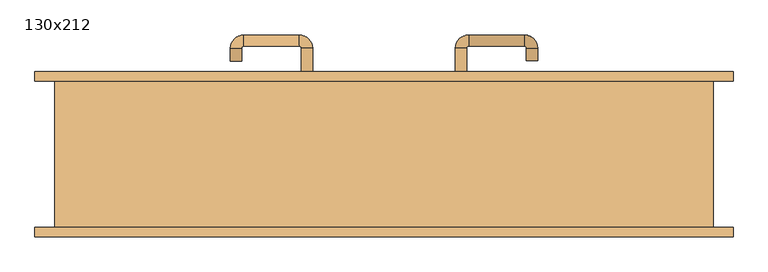
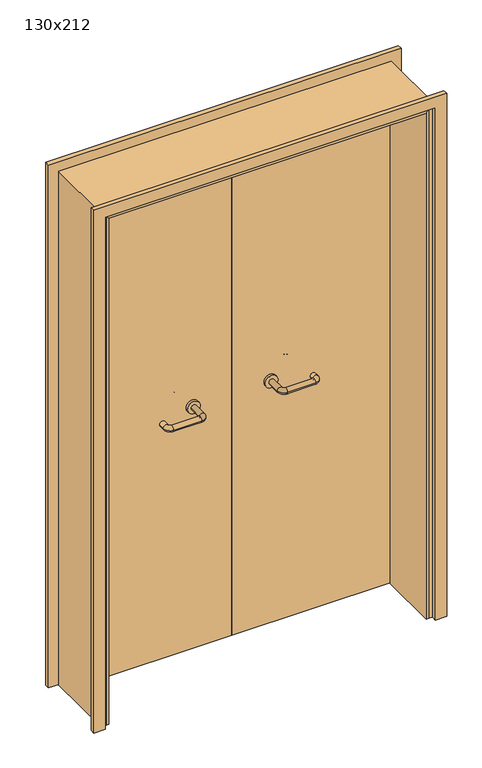
"""IFC4 building model written with IfcOpenShell, lengths in millimetres: door geometry, 130x212."""

from ifc_helpers import new_model, si_unit, point, frame, frame_2d, origin, place, context, project, spatial, polyline, circle_curve, ellipse_curve, trimmed, segment, composite_curve, outline, extrude, faceted_brep, source, transform, mapped, element, save
from ifc_brep_helpers import plane_surface, cylinder_surface, revolved_surface, advanced_brep


def door_130x212_d32668e3(model_context):
    return source(origin(), model_context, "Body", "SolidModel", [
        faceted_brep([(-620.0, 98.0, 0.0), (-620.0, -144.0, 0.0), (-630.0, -144.0, 0.0), (-630.0, 98.0, 0.0), (-620.0, 98.0, 2090.0), (-620.0, -144.0, 2090.0), (-630.0, -144.0, 2100.0), (-630.0, 98.0, 2100.0), (620.0, 98.0, 0.0), (630.0, 98.0, 0.0), (630.0, -144.0, 0.0), (620.0, -144.0, 0.0), (620.0, 98.0, 2090.0), (630.0, 98.0, 2100.0), (630.0, -144.0, 2100.0), (620.0, -144.0, 2090.0)], [[[0, 1, 2, 3]], [[1, 0, 4, 5]], [[2, 1, 5, 6]], [[3, 2, 6, 7]], [[0, 3, 7, 4]], [[8, 9, 10, 11]], [[12, 13, 9, 8]], [[13, 14, 10, 9]], [[14, 15, 11, 10]], [[15, 12, 8, 11]], [[5, 4, 12, 15]], [[6, 5, 15, 14]], [[7, 6, 14, 13]], [[4, 7, 13, 12]]]),
        extrude(outline(polyline([(2159.0, 689.0), (2159.0, -689.0), (0.0, -689.0), (0.0, -645.0), (2115.0, -645.0), (2115.0, 645.0), (0.0, 645.0), (0.0, 689.0), (2159.0, 689.0)])), frame((0.0, 145.0, 0.0), z_axis=(0.0, 1.0, 0.0), x_axis=(0.0, 0.0, 1.0)), (0.0, 0.0, 1.0), 18.0),
        extrude(outline(polyline([(2159.0, -689.0), (0.0, -689.0), (0.0, -645.0), (2115.0, -645.0), (2115.0, 645.0), (0.0, 645.0), (0.0, 689.0), (2159.0, 689.0), (2159.0, -689.0)])), frame((0.0, -163.0, 0.0), z_axis=(0.0, 1.0, 0.0), x_axis=(0.0, 0.0, 1.0)), (0.0, 0.0, 1.0), 18.0),
        extrude(outline(polyline([(2120.0, -650.0), (0.0, -650.0), (0.0, -630.0), (2100.0, -630.0), (2100.0, 630.0), (0.0, 630.0), (0.0, 650.0), (2120.0, 650.0), (2120.0, -650.0)])), frame((0.0, -144.0, 0.0), z_axis=(0.0, 1.0, 0.0), x_axis=(0.0, 0.0, 1.0)), (0.0, 0.0, 1.0), 289.0),
        advanced_brep(
        [(140.99898, 91.0, 1003.0), (162.99898, 91.0, 1003.0), (140.99898, 35.6474631, 1003.0), (162.99898, 35.6474631, 1003.0), (166.99898, 31.6474631, 1003.0), (166.99898, 9.6474631, 1003.0), (276.99898, 9.6474631, 1003.0), (276.99898, 31.6474631, 1003.0), (280.99898, 35.6474631, 1003.0), (302.99898, 35.6474631, 1003.0), (302.99898, 53.0, 1003.0), (280.99898, 53.0, 1003.0)],
        [
            (0, 1, circle_curve(frame((151.99898, 91.0, 1003.0), z_axis=(0.0, 1.0, 0.0), x_axis=(1.0, 0.0, 0.0)), 11.0)),
            (1, 0, circle_curve(frame((151.99898, 91.0, 1003.0), z_axis=(0.0, 1.0, 0.0), x_axis=(1.0, 0.0, 0.0)), 11.0)),
            (0, 2),
            (2, 3, circle_curve(frame((151.99898, 35.6474631, 1003.0), z_axis=(0.0, 1.0, 0.0), x_axis=(1.0, 0.0, 0.0)), 11.0)),
            (3, 1),
            (3, 2, circle_curve(frame((151.99898, 35.6474631, 1003.0), z_axis=(0.0, 1.0, 0.0), x_axis=(1.0, 0.0, 0.0)), 11.0)),
            (4, 3, circle_curve(frame((166.99898, 35.6474631, 1003.0), z_axis=(0.0, 0.0, -1.0), x_axis=(-1.0, 0.0, 0.0)), 4.0)),
            (2, 5, circle_curve(frame((166.99898, 35.6474631, 1003.0), z_axis=(0.0, 0.0, 1.0), x_axis=(-1.0, 0.0, 0.0)), 26.0)),
            (5, 4, circle_curve(frame((166.99898, 20.6474631, 1003.0), z_axis=(-1.0, 0.0, 0.0), x_axis=(0.0, 1.0, 0.0)), 11.0)),
            (4, 5, circle_curve(frame((166.99898, 20.6474631, 1003.0), z_axis=(-1.0, 0.0, 0.0), x_axis=(0.0, 1.0, 0.0)), 11.0)),
            (5, 6),
            (6, 7, circle_curve(frame((276.99898, 20.6474631, 1003.0), z_axis=(-1.0, 0.0, 0.0), x_axis=(0.0, 1.0, 0.0)), 11.0)),
            (7, 4),
            (7, 6, circle_curve(frame((276.99898, 20.6474631, 1003.0), z_axis=(-1.0, 0.0, 0.0), x_axis=(0.0, 1.0, 0.0)), 11.0)),
            (8, 7, circle_curve(frame((276.99898, 35.6474631, 1003.0), z_axis=(0.0, 0.0, -1.0), x_axis=(0.0, -1.0, 0.0)), 4.0)),
            (6, 9, circle_curve(frame((276.99898, 35.6474631, 1003.0), z_axis=(0.0, 0.0, 1.0), x_axis=(0.0, -1.0, 0.0)), 26.0)),
            (9, 8, circle_curve(frame((291.99898, 35.6474631, 1003.0), z_axis=(0.0, -1.0, 0.0), x_axis=(-1.0, 0.0, 0.0)), 11.0)),
            (8, 9, circle_curve(frame((291.99898, 35.6474631, 1003.0), z_axis=(0.0, -1.0, 0.0), x_axis=(-1.0, 0.0, 0.0)), 11.0)),
            (10, 11, circle_curve(frame((291.99898, 53.0, 1003.0), z_axis=(0.0, 1.0, 0.0), x_axis=(-1.0, 0.0, 0.0)), 11.0)),
            (11, 10, circle_curve(frame((291.99898, 53.0, 1003.0), z_axis=(0.0, 1.0, 0.0), x_axis=(-1.0, 0.0, 0.0)), 11.0)),
            (9, 10),
            (11, 8),
        ],
        [
            plane_surface(frame((140.99898, 91.0, 1003.0), z_axis=(0.0, 1.0, 0.0), x_axis=(0.0, 0.0, -1.0))),
            cylinder_surface(frame((151.99898, 91.0, 1003.0), z_axis=(0.0, 1.0, 0.0), x_axis=(1.0, 0.0, 0.0)), 11.0),
            revolved_surface(trimmed(ellipse_curve(frame((151.99898, 35.6474631, 1003.0), z_axis=(0.0, 1.0, 0.0), x_axis=(1.0, 0.0, 0.0)), 11.0, 11.0), [point((140.99898, 35.6474631, 1003.0))], [point((162.99898, 35.6474631, 1003.0))], True, "CARTESIAN"), (166.99898, 35.6474631, 1003.0), (0.0, 0.0, 1.0)),
            revolved_surface(trimmed(ellipse_curve(frame((151.99898, 35.6474631, 1003.0), z_axis=(0.0, 1.0, 0.0), x_axis=(1.0, 0.0, 0.0)), 11.0, 11.0), [point((162.99898, 35.6474631, 1003.0))], [point((140.99898, 35.6474631, 1003.0))], True, "CARTESIAN"), (166.99898, 35.6474631, 1003.0), (0.0, 0.0, 1.0)),
            cylinder_surface(frame((166.99898, 20.6474631, 1003.0), z_axis=(-1.0, 0.0, 0.0), x_axis=(0.0, 1.0, 0.0)), 11.0),
            revolved_surface(trimmed(ellipse_curve(frame((276.99898, 20.6474631, 1003.0), z_axis=(-1.0, 0.0, 0.0), x_axis=(0.0, 1.0, 0.0)), 11.0, 11.0), [point((276.99898, 9.6474631, 1003.0))], [point((276.99898, 31.6474631, 1003.0))], True, "CARTESIAN"), (276.99898, 35.6474631, 1003.0), (0.0, 0.0, 1.0)),
            revolved_surface(trimmed(ellipse_curve(frame((276.99898, 20.6474631, 1003.0), z_axis=(-1.0, 0.0, 0.0), x_axis=(0.0, 1.0, 0.0)), 11.0, 11.0), [point((276.99898, 31.6474631, 1003.0))], [point((276.99898, 9.6474631, 1003.0))], True, "CARTESIAN"), (276.99898, 35.6474631, 1003.0), (0.0, 0.0, 1.0)),
            plane_surface(frame((280.99898, 53.0, 1003.0), z_axis=(0.0, 1.0, 0.0), x_axis=(0.0, 0.0, 1.0))),
            cylinder_surface(frame((291.99898, 35.6474631, 1003.0), z_axis=(0.0, -1.0, 0.0), x_axis=(-1.0, 0.0, 0.0)), 11.0),
        ],
        [
            (0, [[1, 2]]),
            (1, [[-1, 3, 4, 5]]),
            (1, [[-2, -5, 6, -3]]),
            (2, [[7, -4, 8, 9]]),
            (3, [[-8, -6, -7, 10]]),
            (4, [[-9, 11, 12, 13]]),
            (4, [[-10, -13, 14, -11]]),
            (5, [[15, -12, 16, 17]]),
            (6, [[-16, -14, -15, 18]]),
            (7, [[19, 20]]),
            (8, [[-17, 21, -20, 22]]),
            (8, [[-18, -22, -19, -21]]),
        ],
    ),
        extrude(outline(composite_curve([segment(trimmed(circle_curve(frame_2d((1003.0, 151.99898)), 25.0), [point((1003.0, 126.99898))], [point((1003.0, 176.99898))], False, "CARTESIAN"), True, "CONTINUOUS"), segment(trimmed(circle_curve(frame_2d((1003.0, 151.99898)), 25.0), [point((1003.0, 176.99898))], [point((1003.0, 126.99898))], False, "CARTESIAN"), True, "CONTINUOUS")], self_intersect=False)), frame((0.0, 91.0, 0.0), z_axis=(0.0, 1.0, 0.0), x_axis=(0.0, 0.0, 1.0)), (0.0, 0.0, 1.0), 10.0),
        advanced_brep(
        [(162.99898, 155.0, 1003.0), (140.99898, 155.0, 1003.0), (162.99898, 210.0, 1003.0), (140.99898, 210.0, 1003.0), (166.99898, 236.0, 1003.0), (166.99898, 214.0, 1003.0), (276.99898, 214.0, 1003.0), (276.99898, 236.0, 1003.0), (302.99898, 210.0, 1003.0), (280.99898, 210.0, 1003.0), (280.99898, 185.0, 1003.0), (302.99898, 185.0, 1003.0)],
        [
            (0, 1, circle_curve(frame((151.99898, 155.0, 1003.0), z_axis=(0.0, -1.0, 0.0), x_axis=(-1.0, 0.0, 0.0)), 11.0)),
            (1, 0, circle_curve(frame((151.99898, 155.0, 1003.0), z_axis=(0.0, -1.0, 0.0), x_axis=(-1.0, 0.0, 0.0)), 11.0)),
            (0, 2),
            (2, 3, circle_curve(frame((151.99898, 210.0, 1003.0), z_axis=(0.0, -1.0, 0.0), x_axis=(-1.0, 0.0, 0.0)), 11.0)),
            (3, 1),
            (3, 2, circle_curve(frame((151.99898, 210.0, 1003.0), z_axis=(0.0, -1.0, 0.0), x_axis=(-1.0, 0.0, 0.0)), 11.0)),
            (4, 3, circle_curve(frame((166.99898, 210.0, 1003.0), z_axis=(0.0, 0.0, 1.0), x_axis=(-1.0, 0.0, 0.0)), 26.0)),
            (2, 5, circle_curve(frame((166.99898, 210.0, 1003.0), z_axis=(0.0, 0.0, -1.0), x_axis=(-1.0, 0.0, 0.0)), 4.0)),
            (5, 4, circle_curve(frame((166.99898, 225.0, 1003.0), z_axis=(-1.0, 0.0, 0.0), x_axis=(0.0, 1.0, 0.0)), 11.0)),
            (4, 5, circle_curve(frame((166.99898, 225.0, 1003.0), z_axis=(-1.0, 0.0, 0.0), x_axis=(0.0, 1.0, 0.0)), 11.0)),
            (5, 6),
            (6, 7, circle_curve(frame((276.99898, 225.0, 1003.0), z_axis=(-1.0, 0.0, 0.0), x_axis=(0.0, 1.0, 0.0)), 11.0)),
            (7, 4),
            (7, 6, circle_curve(frame((276.99898, 225.0, 1003.0), z_axis=(-1.0, 0.0, 0.0), x_axis=(0.0, 1.0, 0.0)), 11.0)),
            (8, 7, circle_curve(frame((276.99898, 210.0, 1003.0), z_axis=(0.0, 0.0, 1.0), x_axis=(0.0, 1.0, 0.0)), 26.0)),
            (6, 9, circle_curve(frame((276.99898, 210.0, 1003.0), z_axis=(0.0, 0.0, -1.0), x_axis=(0.0, 1.0, 0.0)), 4.0)),
            (9, 8, circle_curve(frame((291.99898, 210.0, 1003.0), z_axis=(0.0, 1.0, 0.0), x_axis=(1.0, 0.0, 0.0)), 11.0)),
            (8, 9, circle_curve(frame((291.99898, 210.0, 1003.0), z_axis=(0.0, 1.0, 0.0), x_axis=(1.0, 0.0, 0.0)), 11.0)),
            (10, 11, circle_curve(frame((291.99898, 185.0, 1003.0), z_axis=(0.0, -1.0, 0.0), x_axis=(1.0, 0.0, 0.0)), 11.0)),
            (11, 10, circle_curve(frame((291.99898, 185.0, 1003.0), z_axis=(0.0, -1.0, 0.0), x_axis=(1.0, 0.0, 0.0)), 11.0)),
            (9, 10),
            (11, 8),
        ],
        [
            plane_surface(frame((140.99898, 155.0, 1003.0), z_axis=(0.0, -1.0, 0.0), x_axis=(0.0, 0.0, 1.0))),
            cylinder_surface(frame((151.99898, 155.0, 1003.0), z_axis=(0.0, -1.0, 0.0), x_axis=(-1.0, 0.0, 0.0)), 11.0),
            revolved_surface(trimmed(ellipse_curve(frame((151.99898, 210.0, 1003.0), z_axis=(0.0, -1.0, 0.0), x_axis=(-1.0, 0.0, 0.0)), 11.0, 11.0), [point((162.99898, 210.0, 1003.0))], [point((140.99898, 210.0, 1003.0))], True, "CARTESIAN"), (166.99898, 210.0, 1003.0), (0.0, 0.0, -1.0)),
            revolved_surface(trimmed(ellipse_curve(frame((151.99898, 210.0, 1003.0), z_axis=(0.0, -1.0, 0.0), x_axis=(-1.0, 0.0, 0.0)), 11.0, 11.0), [point((140.99898, 210.0, 1003.0))], [point((162.99898, 210.0, 1003.0))], True, "CARTESIAN"), (166.99898, 210.0, 1003.0), (0.0, 0.0, -1.0)),
            cylinder_surface(frame((166.99898, 225.0, 1003.0), z_axis=(-1.0, 0.0, 0.0), x_axis=(0.0, 1.0, 0.0)), 11.0),
            revolved_surface(trimmed(ellipse_curve(frame((276.99898, 225.0, 1003.0), z_axis=(-1.0, 0.0, 0.0), x_axis=(0.0, 1.0, 0.0)), 11.0, 11.0), [point((276.99898, 214.0, 1003.0))], [point((276.99898, 236.0, 1003.0))], True, "CARTESIAN"), (276.99898, 210.0, 1003.0), (0.0, 0.0, -1.0)),
            revolved_surface(trimmed(ellipse_curve(frame((276.99898, 225.0, 1003.0), z_axis=(-1.0, 0.0, 0.0), x_axis=(0.0, 1.0, 0.0)), 11.0, 11.0), [point((276.99898, 236.0, 1003.0))], [point((276.99898, 214.0, 1003.0))], True, "CARTESIAN"), (276.99898, 210.0, 1003.0), (0.0, 0.0, -1.0)),
            plane_surface(frame((280.99898, 185.0, 1003.0), z_axis=(0.0, -1.0, 0.0), x_axis=(0.0, 0.0, -1.0))),
            cylinder_surface(frame((291.99898, 210.0, 1003.0), z_axis=(0.0, 1.0, 0.0), x_axis=(1.0, 0.0, 0.0)), 11.0),
        ],
        [
            (0, [[1, 2]]),
            (1, [[-1, 3, 4, 5]]),
            (1, [[-2, -5, 6, -3]]),
            (2, [[7, -4, 8, 9]]),
            (3, [[-8, -6, -7, 10]]),
            (4, [[-9, 11, 12, 13]]),
            (4, [[-10, -13, 14, -11]]),
            (5, [[15, -12, 16, 17]]),
            (6, [[-16, -14, -15, 18]]),
            (7, [[19, 20]]),
            (8, [[-17, 21, -20, 22]]),
            (8, [[-18, -22, -19, -21]]),
        ],
    ),
        extrude(outline(composite_curve([segment(trimmed(circle_curve(frame_2d((1003.0, 151.99898)), 25.0), [point((1003.0, 176.99898))], [point((1003.0, 126.99898))], False, "CARTESIAN"), True, "CONTINUOUS"), segment(trimmed(circle_curve(frame_2d((1003.0, 151.99898)), 25.0), [point((1003.0, 126.99898))], [point((1003.0, 176.99898))], False, "CARTESIAN"), True, "CONTINUOUS")], self_intersect=False)), frame((0.0, 145.0, 0.0), z_axis=(0.0, 1.0, 0.0), x_axis=(0.0, 0.0, 1.0)), (0.0, 0.0, 1.0), 10.0),
        advanced_brep(
        [(-162.99898, 90.6886121, 1003.0), (-140.99898, 90.6886121, 1003.0), (-162.99898, 35.2779553, 1003.0), (-140.99898, 35.2779553, 1003.0), (-166.99898, 9.2779553, 1003.0), (-166.99898, 31.2779553, 1003.0), (-276.99898, 31.2779553, 1003.0), (-276.99898, 9.2779553, 1003.0), (-302.99898, 35.2779553, 1003.0), (-280.99898, 35.2779553, 1003.0), (-280.99898, 60.2779553, 1003.0), (-302.99898, 60.2779553, 1003.0)],
        [
            (0, 1, circle_curve(frame((-151.99898, 90.6886121, 1003.0), z_axis=(0.0, 1.0, 0.0), x_axis=(1.0, 0.0, 0.0)), 11.0)),
            (1, 0, circle_curve(frame((-151.99898, 90.6886121, 1003.0), z_axis=(0.0, 1.0, 0.0), x_axis=(1.0, 0.0, 0.0)), 11.0)),
            (0, 2),
            (2, 3, circle_curve(frame((-151.99898, 35.2779553, 1003.0), z_axis=(0.0, 1.0, 0.0), x_axis=(1.0, 0.0, 0.0)), 11.0)),
            (3, 1),
            (3, 2, circle_curve(frame((-151.99898, 35.2779553, 1003.0), z_axis=(0.0, 1.0, 0.0), x_axis=(1.0, 0.0, 0.0)), 11.0)),
            (4, 3, circle_curve(frame((-166.99898, 35.2779553, 1003.0), z_axis=(0.0, 0.0, 1.0), x_axis=(1.0, 0.0, 0.0)), 26.0)),
            (2, 5, circle_curve(frame((-166.99898, 35.2779553, 1003.0), z_axis=(0.0, 0.0, -1.0), x_axis=(1.0, 0.0, 0.0)), 4.0)),
            (5, 4, circle_curve(frame((-166.99898, 20.2779553, 1003.0), z_axis=(1.0, 0.0, 0.0), x_axis=(0.0, -1.0, 0.0)), 11.0)),
            (4, 5, circle_curve(frame((-166.99898, 20.2779553, 1003.0), z_axis=(1.0, 0.0, 0.0), x_axis=(0.0, -1.0, 0.0)), 11.0)),
            (5, 6),
            (6, 7, circle_curve(frame((-276.99898, 20.2779553, 1003.0), z_axis=(1.0, 0.0, 0.0), x_axis=(0.0, -1.0, 0.0)), 11.0)),
            (7, 4),
            (7, 6, circle_curve(frame((-276.99898, 20.2779553, 1003.0), z_axis=(1.0, 0.0, 0.0), x_axis=(0.0, -1.0, 0.0)), 11.0)),
            (8, 7, circle_curve(frame((-276.99898, 35.2779553, 1003.0), z_axis=(0.0, 0.0, 1.0), x_axis=(0.0, -1.0, 0.0)), 26.0)),
            (6, 9, circle_curve(frame((-276.99898, 35.2779553, 1003.0), z_axis=(0.0, 0.0, -1.0), x_axis=(0.0, -1.0, 0.0)), 4.0)),
            (9, 8, circle_curve(frame((-291.99898, 35.2779553, 1003.0), z_axis=(0.0, -1.0, 0.0), x_axis=(-1.0, 0.0, 0.0)), 11.0)),
            (8, 9, circle_curve(frame((-291.99898, 35.2779553, 1003.0), z_axis=(0.0, -1.0, 0.0), x_axis=(-1.0, 0.0, 0.0)), 11.0)),
            (10, 11, circle_curve(frame((-291.99898, 60.2779553, 1003.0), z_axis=(0.0, 1.0, 0.0), x_axis=(-1.0, 0.0, 0.0)), 11.0)),
            (11, 10, circle_curve(frame((-291.99898, 60.2779553, 1003.0), z_axis=(0.0, 1.0, 0.0), x_axis=(-1.0, 0.0, 0.0)), 11.0)),
            (9, 10),
            (11, 8),
        ],
        [
            plane_surface(frame((-162.99898, 90.6886121, 1003.0), z_axis=(0.0, 1.0, 0.0), x_axis=(0.0, 0.0, -1.0))),
            cylinder_surface(frame((-151.99898, 90.6886121, 1003.0), z_axis=(0.0, 1.0, 0.0), x_axis=(1.0, 0.0, 0.0)), 11.0),
            revolved_surface(trimmed(ellipse_curve(frame((-151.99898, 35.2779553, 1003.0), z_axis=(0.0, 1.0, 0.0), x_axis=(1.0, 0.0, 0.0)), 11.0, 11.0), [point((-162.99898, 35.2779553, 1003.0))], [point((-140.99898, 35.2779553, 1003.0))], True, "CARTESIAN"), (-166.99898, 35.2779553, 1003.0), (0.0, 0.0, -1.0)),
            revolved_surface(trimmed(ellipse_curve(frame((-151.99898, 35.2779553, 1003.0), z_axis=(0.0, 1.0, 0.0), x_axis=(1.0, 0.0, 0.0)), 11.0, 11.0), [point((-140.99898, 35.2779553, 1003.0))], [point((-162.99898, 35.2779553, 1003.0))], True, "CARTESIAN"), (-166.99898, 35.2779553, 1003.0), (0.0, 0.0, -1.0)),
            cylinder_surface(frame((-166.99898, 20.2779553, 1003.0), z_axis=(1.0, 0.0, 0.0), x_axis=(0.0, -1.0, 0.0)), 11.0),
            revolved_surface(trimmed(ellipse_curve(frame((-276.99898, 20.2779553, 1003.0), z_axis=(1.0, 0.0, 0.0), x_axis=(0.0, -1.0, 0.0)), 11.0, 11.0), [point((-276.99898, 31.2779553, 1003.0))], [point((-276.99898, 9.2779553, 1003.0))], True, "CARTESIAN"), (-276.99898, 35.2779553, 1003.0), (0.0, 0.0, -1.0)),
            revolved_surface(trimmed(ellipse_curve(frame((-276.99898, 20.2779553, 1003.0), z_axis=(1.0, 0.0, 0.0), x_axis=(0.0, -1.0, 0.0)), 11.0, 11.0), [point((-276.99898, 9.2779553, 1003.0))], [point((-276.99898, 31.2779553, 1003.0))], True, "CARTESIAN"), (-276.99898, 35.2779553, 1003.0), (0.0, 0.0, -1.0)),
            plane_surface(frame((-302.99898, 60.2779553, 1003.0), z_axis=(0.0, 1.0, 0.0), x_axis=(0.0, 0.0, 1.0))),
            cylinder_surface(frame((-291.99898, 35.2779553, 1003.0), z_axis=(0.0, -1.0, 0.0), x_axis=(-1.0, 0.0, 0.0)), 11.0),
        ],
        [
            (0, [[1, 2]]),
            (1, [[-1, 3, 4, 5]]),
            (1, [[-2, -5, 6, -3]]),
            (2, [[7, -4, 8, 9]]),
            (3, [[-8, -6, -7, 10]]),
            (4, [[-9, 11, 12, 13]]),
            (4, [[-10, -13, 14, -11]]),
            (5, [[15, -12, 16, 17]]),
            (6, [[-16, -14, -15, 18]]),
            (7, [[19, 20]]),
            (8, [[-17, 21, -20, 22]]),
            (8, [[-18, -22, -19, -21]]),
        ],
    ),
        extrude(outline(composite_curve([segment(trimmed(circle_curve(frame_2d((1003.0, -151.99898)), 25.0), [point((1003.0, -176.99898))], [point((1003.0, -126.99898))], False, "CARTESIAN"), True, "CONTINUOUS"), segment(trimmed(circle_curve(frame_2d((1003.0, -151.99898)), 25.0), [point((1003.0, -126.99898))], [point((1003.0, -176.99898))], False, "CARTESIAN"), True, "CONTINUOUS")], self_intersect=False)), frame((0.0, 90.6886121, 0.0), z_axis=(0.0, 1.0, 0.0), x_axis=(0.0, 0.0, 1.0)), (0.0, 0.0, 1.0), 10.3113879),
        advanced_brep(
        [(-140.99898, 154.5143417, 1003.0), (-162.99898, 154.5143417, 1003.0), (-140.99898, 209.6104656, 1003.0), (-162.99898, 209.6104656, 1003.0), (-166.99898, 213.6104656, 1003.0), (-166.99898, 235.6104656, 1003.0), (-276.99898, 235.6104656, 1003.0), (-276.99898, 213.6104656, 1003.0), (-280.99898, 209.6104656, 1003.0), (-302.99898, 209.6104656, 1003.0), (-302.99898, 184.6104656, 1003.0), (-280.99898, 184.6104656, 1003.0)],
        [
            (0, 1, circle_curve(frame((-151.99898, 154.5143417, 1003.0), z_axis=(0.0, -1.0, 0.0), x_axis=(-1.0, 0.0, 0.0)), 11.0)),
            (1, 0, circle_curve(frame((-151.99898, 154.5143417, 1003.0), z_axis=(0.0, -1.0, 0.0), x_axis=(-1.0, 0.0, 0.0)), 11.0)),
            (0, 2),
            (2, 3, circle_curve(frame((-151.99898, 209.6104656, 1003.0), z_axis=(0.0, -1.0, 0.0), x_axis=(-1.0, 0.0, 0.0)), 11.0)),
            (3, 1),
            (3, 2, circle_curve(frame((-151.99898, 209.6104656, 1003.0), z_axis=(0.0, -1.0, 0.0), x_axis=(-1.0, 0.0, 0.0)), 11.0)),
            (4, 3, circle_curve(frame((-166.99898, 209.6104656, 1003.0), z_axis=(0.0, 0.0, -1.0), x_axis=(1.0, 0.0, 0.0)), 4.0)),
            (2, 5, circle_curve(frame((-166.99898, 209.6104656, 1003.0), z_axis=(0.0, 0.0, 1.0), x_axis=(1.0, 0.0, 0.0)), 26.0)),
            (5, 4, circle_curve(frame((-166.99898, 224.6104656, 1003.0), z_axis=(1.0, 0.0, 0.0), x_axis=(0.0, -1.0, 0.0)), 11.0)),
            (4, 5, circle_curve(frame((-166.99898, 224.6104656, 1003.0), z_axis=(1.0, 0.0, 0.0), x_axis=(0.0, -1.0, 0.0)), 11.0)),
            (5, 6),
            (6, 7, circle_curve(frame((-276.99898, 224.6104656, 1003.0), z_axis=(1.0, 0.0, 0.0), x_axis=(0.0, -1.0, 0.0)), 11.0)),
            (7, 4),
            (7, 6, circle_curve(frame((-276.99898, 224.6104656, 1003.0), z_axis=(1.0, 0.0, 0.0), x_axis=(0.0, -1.0, 0.0)), 11.0)),
            (8, 7, circle_curve(frame((-276.99898, 209.6104656, 1003.0), z_axis=(0.0, 0.0, -1.0), x_axis=(0.0, 1.0, 0.0)), 4.0)),
            (6, 9, circle_curve(frame((-276.99898, 209.6104656, 1003.0), z_axis=(0.0, 0.0, 1.0), x_axis=(0.0, 1.0, 0.0)), 26.0)),
            (9, 8, circle_curve(frame((-291.99898, 209.6104656, 1003.0), z_axis=(0.0, 1.0, 0.0), x_axis=(1.0, 0.0, 0.0)), 11.0)),
            (8, 9, circle_curve(frame((-291.99898, 209.6104656, 1003.0), z_axis=(0.0, 1.0, 0.0), x_axis=(1.0, 0.0, 0.0)), 11.0)),
            (10, 11, circle_curve(frame((-291.99898, 184.6104656, 1003.0), z_axis=(0.0, -1.0, 0.0), x_axis=(1.0, 0.0, 0.0)), 11.0)),
            (11, 10, circle_curve(frame((-291.99898, 184.6104656, 1003.0), z_axis=(0.0, -1.0, 0.0), x_axis=(1.0, 0.0, 0.0)), 11.0)),
            (9, 10),
            (11, 8),
        ],
        [
            plane_surface(frame((-162.99898, 154.5143417, 1003.0), z_axis=(0.0, -1.0, 0.0), x_axis=(0.0, 0.0, 1.0))),
            cylinder_surface(frame((-151.99898, 154.5143417, 1003.0), z_axis=(0.0, -1.0, 0.0), x_axis=(-1.0, 0.0, 0.0)), 11.0),
            revolved_surface(trimmed(ellipse_curve(frame((-151.99898, 209.6104656, 1003.0), z_axis=(0.0, -1.0, 0.0), x_axis=(-1.0, 0.0, 0.0)), 11.0, 11.0), [point((-140.99898, 209.6104656, 1003.0))], [point((-162.99898, 209.6104656, 1003.0))], True, "CARTESIAN"), (-166.99898, 209.6104656, 1003.0), (0.0, 0.0, 1.0)),
            revolved_surface(trimmed(ellipse_curve(frame((-151.99898, 209.6104656, 1003.0), z_axis=(0.0, -1.0, 0.0), x_axis=(-1.0, 0.0, 0.0)), 11.0, 11.0), [point((-162.99898, 209.6104656, 1003.0))], [point((-140.99898, 209.6104656, 1003.0))], True, "CARTESIAN"), (-166.99898, 209.6104656, 1003.0), (0.0, 0.0, 1.0)),
            cylinder_surface(frame((-166.99898, 224.6104656, 1003.0), z_axis=(1.0, 0.0, 0.0), x_axis=(0.0, -1.0, 0.0)), 11.0),
            revolved_surface(trimmed(ellipse_curve(frame((-276.99898, 224.6104656, 1003.0), z_axis=(1.0, 0.0, 0.0), x_axis=(0.0, -1.0, 0.0)), 11.0, 11.0), [point((-276.99898, 235.6104656, 1003.0))], [point((-276.99898, 213.6104656, 1003.0))], True, "CARTESIAN"), (-276.99898, 209.6104656, 1003.0), (0.0, 0.0, 1.0)),
            revolved_surface(trimmed(ellipse_curve(frame((-276.99898, 224.6104656, 1003.0), z_axis=(1.0, 0.0, 0.0), x_axis=(0.0, -1.0, 0.0)), 11.0, 11.0), [point((-276.99898, 213.6104656, 1003.0))], [point((-276.99898, 235.6104656, 1003.0))], True, "CARTESIAN"), (-276.99898, 209.6104656, 1003.0), (0.0, 0.0, 1.0)),
            plane_surface(frame((-302.99898, 184.6104656, 1003.0), z_axis=(0.0, -1.0, 0.0), x_axis=(0.0, 0.0, -1.0))),
            cylinder_surface(frame((-291.99898, 209.6104656, 1003.0), z_axis=(0.0, 1.0, 0.0), x_axis=(1.0, 0.0, 0.0)), 11.0),
        ],
        [
            (0, [[1, 2]]),
            (1, [[-1, 3, 4, 5]]),
            (1, [[-2, -5, 6, -3]]),
            (2, [[7, -4, 8, 9]]),
            (3, [[-8, -6, -7, 10]]),
            (4, [[-9, 11, 12, 13]]),
            (4, [[-10, -13, 14, -11]]),
            (5, [[15, -12, 16, 17]]),
            (6, [[-16, -14, -15, 18]]),
            (7, [[19, 20]]),
            (8, [[-17, 21, -20, 22]]),
            (8, [[-18, -22, -19, -21]]),
        ],
    ),
        extrude(outline(composite_curve([segment(trimmed(circle_curve(frame_2d((1003.0, -151.99898)), 25.0), [point((1003.0, -126.99898))], [point((1003.0, -176.99898))], False, "CARTESIAN"), True, "CONTINUOUS"), segment(trimmed(circle_curve(frame_2d((1003.0, -151.99898)), 25.0), [point((1003.0, -176.99898))], [point((1003.0, -126.99898))], False, "CARTESIAN"), True, "CONTINUOUS")], self_intersect=False)), frame((0.0, 145.0, 0.0), z_axis=(0.0, 1.0, 0.0), x_axis=(0.0, 0.0, 1.0)), (0.0, 0.0, 1.0), 9.5143417),
        extrude(outline(polyline([(1.0739506, 101.0), (-627.0, 101.0), (-627.0, 145.0), (1.0739506, 145.0), (1.0739506, 101.0)])), frame((0.0, 0.0, 1.753223), z_axis=(0.0, 0.0, 1.0), x_axis=(1.0, 0.0, 0.0)), (0.0, 0.0, 1.0), 2098.246777),
        extrude(outline(polyline([(627.0, 101.0), (1.0739506, 101.0), (1.0739506, 145.0), (627.0, 145.0), (627.0, 101.0)])), frame((0.0, 0.0, 1.753223), z_axis=(0.0, 0.0, 1.0), x_axis=(1.0, 0.0, 0.0)), (0.0, 0.0, 1.0), 2098.246777),
    ])


if __name__ == "__main__":
    model = new_model("IFC4")
    model_context = context("Model", 3, world=origin())
    ifc_project = project(units=[si_unit("LENGTHUNIT", "METRE", prefix="MILLI")], contexts=[model_context])
    site = spatial("IfcSite", under=ifc_project)
    building = spatial("IfcBuilding", under=site)
    placement = place(None, origin())
    door_130x212_shape = door_130x212_d32668e3(model_context)
    element("IfcDoor", 1, ObjectType="130x212", at=placement, inside=building, context=model_context, shape_type="MappedRepresentation", body=[
        mapped(door_130x212_shape, transform((0.0, 0.0, 0.0), x_axis=(1.0, 0.0, 0.0), y_axis=(0.0, 1.0, 0.0), z_axis=(0.0, 0.0, 1.0))),
    ])
    save(model, "model.ifc")
